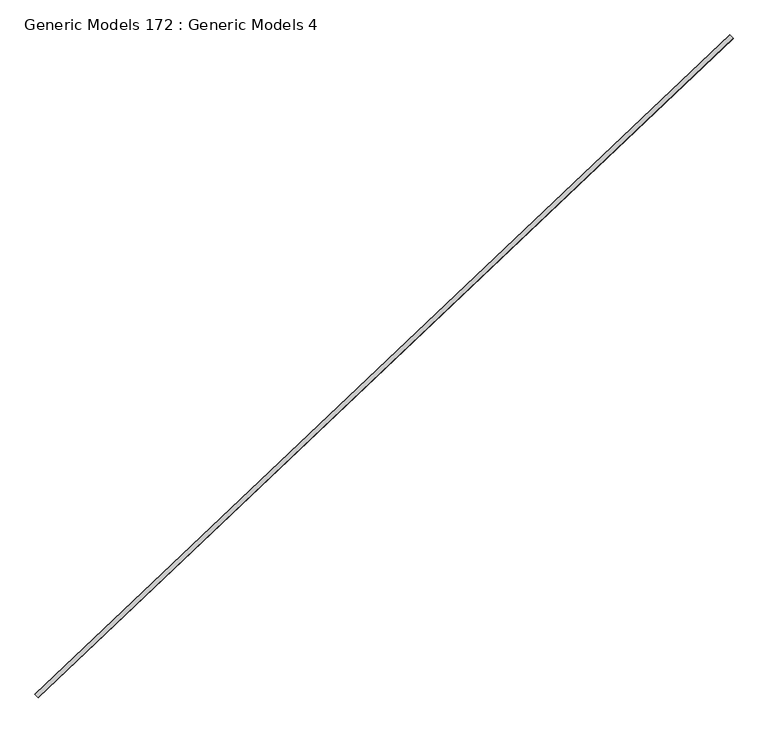
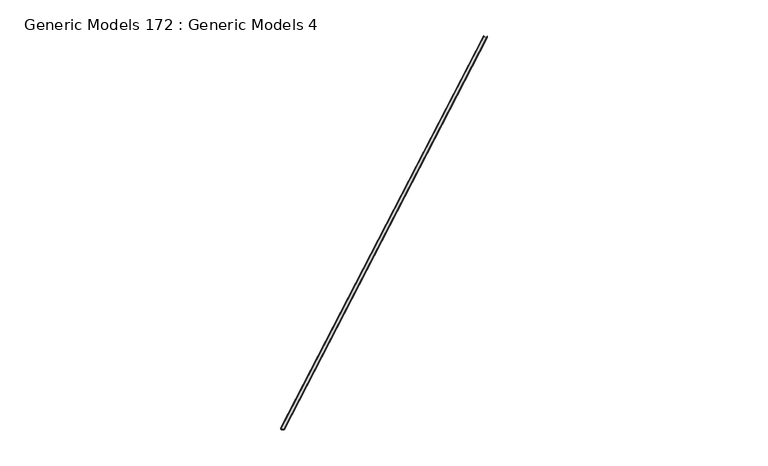
"""IFC4 building model written with IfcOpenShell, lengths in millimetres: proxy geometry, Generic Models 172 : Generic Models 4."""

from ifc_helpers import new_model, si_unit, frame, origin, place, context, project, spatial, polyline, outline, extrude, source, transform, mapped, element, save


def generic_models_172_generic_models_4_b12daa69(model_context):
    return source(origin(), model_context, "Body", "SweptSolid", [
        extrude(outline(polyline([(0.0, 0.0), (41.275, 0.0), (41.275, -1.5875), (1.5875, -1.5875), (1.5875, -90.4874999), (41.275, -90.4874999), (41.275, -92.075), (0.0, -92.075), (0.0, 0.0)])), frame((95740.2142071, 48858.7610851, 17170.4), z_axis=(0.725374371012385, 0.6883545756936514, 0.0), x_axis=(0.0, 0.0, 1.0)), (0.0, 0.0, 1.0), 17560.925),
    ])


if __name__ == "__main__":
    model = new_model("IFC4")
    model_context = context("Model", 3, world=origin())
    ifc_project = project(units=[si_unit("LENGTHUNIT", "METRE", prefix="MILLI")], contexts=[model_context])
    site = spatial("IfcSite", under=ifc_project)
    building = spatial("IfcBuilding", under=site)
    placement = place(None, origin())
    generic_models_172_generic_models_4_shape = generic_models_172_generic_models_4_b12daa69(model_context)
    element("IfcBuildingElementProxy", 1, Name="Generic Models 172 : Generic Models 4", ObjectType="Generic Models 172 : Generic Models 4", at=placement, inside=building, context=model_context, shape_type="MappedRepresentation", body=[
        mapped(generic_models_172_generic_models_4_shape, transform((0.0, 0.0, 0.0), x_axis=(1.0, 0.0, 0.0), y_axis=(0.0, 1.0, 0.0), z_axis=(0.0, 0.0, 1.0))),
    ])
    save(model, "model.ifc")
